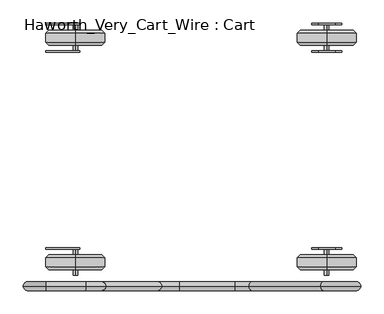
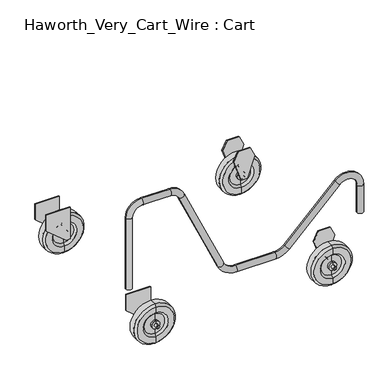
"""IFC4 building model written with IfcOpenShell, lengths in millimetres: furniture geometry, Haworth_Very_Cart_Wire : Cart."""

from ifc_helpers import new_model, si_unit, point, frame, origin, place, context, project, spatial, polyline, circle_curve, ellipse_curve, trimmed, outline, extrude, source, transform, mapped, element, save
from ifc_brep_helpers import plane_surface, cylinder_surface, revolved_surface, advanced_brep


def haworth_very_cart_wire_cart_294b5df9(model_context):
    return source(origin(), model_context, "Body", "SolidModel", [
        advanced_brep(
        [(-231.1399794, 231.3950147, 0.0), (-231.1399794, 231.3950147, 126.999997), (-231.1399794, 250.4450147, 126.999997), (-231.1399794, 250.4450147, 0.0), (-231.1399794, 256.7950087, 120.650003), (-231.1399794, 256.7950087, 6.3499939), (-231.1399794, 256.7950087, 101.5999939), (-231.1399794, 256.7950087, 25.400003), (-231.1399794, 250.4450147, 95.25), (-231.1399794, 250.4450147, 31.749997), (-231.1399794, 250.4450147, 75.7672593), (-231.1399794, 250.4450147, 51.2327376), (-231.1399794, 256.7950087, 75.7672593), (-231.1399794, 256.7950087, 51.2327376), (-231.1399794, 256.7950087, 68.3259984), (-231.1399794, 256.7950087, 58.6739985), (-231.1399794, 268.6949, 68.3259984), (-231.1399794, 268.6949, 58.6739985), (-231.1399794, 268.6949, 63.4999985), (-231.1399794, 213.1451294, 63.4999985), (-231.1399794, 213.1451294, 68.3259984), (-231.1399794, 213.1451294, 58.6739985), (-231.1399794, 225.0450208, 68.3259984), (-231.1399794, 225.0450208, 58.6739985), (-231.1399794, 225.0450208, 75.7672593), (-231.1399794, 225.0450208, 51.2327376), (-231.1399794, 231.3950147, 75.7672593), (-231.1399794, 231.3950147, 51.2327376), (-231.1399794, 231.3950147, 95.25), (-231.1399794, 231.3950147, 31.749997), (-231.1399794, 225.0450208, 101.5999939), (-231.1399794, 225.0450208, 25.400003), (-231.1399794, 225.0450208, 120.650003), (-231.1399794, 225.0450208, 6.3499939)],
        [
            (0, 1, circle_curve(frame((-231.1399794, 231.3950147, 63.4999985), z_axis=(0.0, 1.0, 0.0), x_axis=(0.0, 0.0, 1.0)), 63.4999985)),
            (1, 2),
            (2, 3, circle_curve(frame((-231.1399794, 250.4450147, 63.4999985), z_axis=(0.0, -1.0, 0.0), x_axis=(0.0, 0.0, 1.0)), 63.4999985)),
            (3, 0),
            (1, 0, circle_curve(frame((-231.1399794, 231.3950147, 63.4999985), z_axis=(0.0, 1.0, 0.0), x_axis=(0.0, 0.0, 1.0)), 63.4999985)),
            (3, 2, circle_curve(frame((-231.1399794, 250.4450147, 63.4999985), z_axis=(0.0, -1.0, 0.0), x_axis=(0.0, 0.0, 1.0)), 63.4999985)),
            (2, 4),
            (4, 5, circle_curve(frame((-231.1399794, 256.7950087, 63.4999985), z_axis=(0.0, -1.0, 0.0), x_axis=(0.0, 0.0, 1.0)), 57.1500045)),
            (5, 3),
            (5, 4, circle_curve(frame((-231.1399794, 256.7950087, 63.4999985), z_axis=(0.0, -1.0, 0.0), x_axis=(0.0, 0.0, 1.0)), 57.1500045)),
            (4, 6),
            (6, 7, circle_curve(frame((-231.1399794, 256.7950087, 63.4999985), z_axis=(0.0, -1.0, 0.0), x_axis=(0.0, 0.0, 1.0)), 38.0999955)),
            (7, 5),
            (7, 6, circle_curve(frame((-231.1399794, 256.7950087, 63.4999985), z_axis=(0.0, -1.0, 0.0), x_axis=(0.0, 0.0, 1.0)), 38.0999955)),
            (6, 8),
            (8, 9, circle_curve(frame((-231.1399794, 250.4450147, 63.4999985), z_axis=(0.0, -1.0, 0.0), x_axis=(0.0, 0.0, 1.0)), 31.7500015)),
            (9, 7),
            (9, 8, circle_curve(frame((-231.1399794, 250.4450147, 63.4999985), z_axis=(0.0, -1.0, 0.0), x_axis=(0.0, 0.0, 1.0)), 31.7500015)),
            (8, 10),
            (10, 11, circle_curve(frame((-231.1399794, 250.4450147, 63.4999985), z_axis=(0.0, -1.0, 0.0), x_axis=(0.0, 0.0, 1.0)), 12.2672608)),
            (11, 9),
            (11, 10, circle_curve(frame((-231.1399794, 250.4450147, 63.4999985), z_axis=(0.0, -1.0, 0.0), x_axis=(0.0, 0.0, 1.0)), 12.2672608)),
            (10, 12),
            (12, 13, circle_curve(frame((-231.1399794, 256.7950087, 63.4999985), z_axis=(0.0, -1.0, 0.0), x_axis=(0.0, 0.0, 1.0)), 12.2672608)),
            (13, 11),
            (13, 12, circle_curve(frame((-231.1399794, 256.7950087, 63.4999985), z_axis=(0.0, -1.0, 0.0), x_axis=(0.0, 0.0, 1.0)), 12.2672608)),
            (12, 14),
            (14, 15, circle_curve(frame((-231.1399794, 256.7950087, 63.4999985), z_axis=(0.0, -1.0, 0.0), x_axis=(0.0, 0.0, 1.0)), 4.8259999)),
            (15, 13),
            (15, 14, circle_curve(frame((-231.1399794, 256.7950087, 63.4999985), z_axis=(0.0, -1.0, 0.0), x_axis=(0.0, 0.0, 1.0)), 4.8259999)),
            (14, 16),
            (16, 17, circle_curve(frame((-231.1399794, 268.6949, 63.4999985), z_axis=(0.0, -1.0, 0.0), x_axis=(0.0, 0.0, 1.0)), 4.8259999)),
            (17, 15),
            (17, 16, circle_curve(frame((-231.1399794, 268.6949, 63.4999985), z_axis=(0.0, -1.0, 0.0), x_axis=(0.0, 0.0, 1.0)), 4.8259999)),
            (16, 18),
            (18, 17),
            (19, 20),
            (20, 21, circle_curve(frame((-231.1399794, 213.1451294, 63.4999985), z_axis=(0.0, -1.0, 0.0), x_axis=(0.0, 0.0, 1.0)), 4.8259999)),
            (21, 19),
            (21, 20, circle_curve(frame((-231.1399794, 213.1451294, 63.4999985), z_axis=(0.0, -1.0, 0.0), x_axis=(0.0, 0.0, 1.0)), 4.8259999)),
            (20, 22),
            (22, 23, circle_curve(frame((-231.1399794, 225.0450208, 63.4999985), z_axis=(0.0, -1.0, 0.0), x_axis=(0.0, 0.0, 1.0)), 4.8259999)),
            (23, 21),
            (23, 22, circle_curve(frame((-231.1399794, 225.0450208, 63.4999985), z_axis=(0.0, -1.0, 0.0), x_axis=(0.0, 0.0, 1.0)), 4.8259999)),
            (22, 24),
            (24, 25, circle_curve(frame((-231.1399794, 225.0450208, 63.4999985), z_axis=(0.0, -1.0, 0.0), x_axis=(0.0, 0.0, 1.0)), 12.2672608)),
            (25, 23),
            (25, 24, circle_curve(frame((-231.1399794, 225.0450208, 63.4999985), z_axis=(0.0, -1.0, 0.0), x_axis=(0.0, 0.0, 1.0)), 12.2672608)),
            (24, 26),
            (26, 27, circle_curve(frame((-231.1399794, 231.3950147, 63.4999985), z_axis=(0.0, -1.0, 0.0), x_axis=(0.0, 0.0, 1.0)), 12.2672608)),
            (27, 25),
            (27, 26, circle_curve(frame((-231.1399794, 231.3950147, 63.4999985), z_axis=(0.0, -1.0, 0.0), x_axis=(0.0, 0.0, 1.0)), 12.2672608)),
            (26, 28),
            (28, 29, circle_curve(frame((-231.1399794, 231.3950147, 63.4999985), z_axis=(0.0, -1.0, 0.0), x_axis=(0.0, 0.0, 1.0)), 31.7500015)),
            (29, 27),
            (29, 28, circle_curve(frame((-231.1399794, 231.3950147, 63.4999985), z_axis=(0.0, -1.0, 0.0), x_axis=(0.0, 0.0, 1.0)), 31.7500015)),
            (28, 30),
            (30, 31, circle_curve(frame((-231.1399794, 225.0450208, 63.4999985), z_axis=(0.0, -1.0, 0.0), x_axis=(0.0, 0.0, 1.0)), 38.0999955)),
            (31, 29),
            (31, 30, circle_curve(frame((-231.1399794, 225.0450208, 63.4999985), z_axis=(0.0, -1.0, 0.0), x_axis=(0.0, 0.0, 1.0)), 38.0999955)),
            (30, 32),
            (32, 33, circle_curve(frame((-231.1399794, 225.0450208, 63.4999985), z_axis=(0.0, -1.0, 0.0), x_axis=(0.0, 0.0, 1.0)), 57.1500045)),
            (33, 31),
            (33, 32, circle_curve(frame((-231.1399794, 225.0450208, 63.4999985), z_axis=(0.0, -1.0, 0.0), x_axis=(0.0, 0.0, 1.0)), 57.1500045)),
            (32, 1),
            (0, 33),
        ],
        [
            cylinder_surface(frame((-231.1399794, 231.3950147, 63.4999985), z_axis=(0.0, -1.0, 0.0), x_axis=(0.0, 0.0, 1.0)), 63.4999985),
            revolved_surface(polyline([(-231.1399794, 256.7950087, 120.650003), (-231.1399794, 250.4450147, 126.999997)]), (-231.1399794, 231.3950147, 63.4999985), (0.0, -1.0, 0.0)),
            plane_surface(frame((-231.1399794, 256.7950087, 63.4999985), z_axis=(0.0, 1.0, 0.0), x_axis=(0.0, 0.0, 1.0))),
            revolved_surface(polyline([(-231.1399794, 250.4450147, 95.25), (-231.1399794, 256.7950087, 101.5999939)]), (-231.1399794, 231.3950147, 63.4999985), (0.0, -1.0, 0.0)),
            plane_surface(frame((-231.1399794, 250.4450147, 63.4999985), z_axis=(0.0, 1.0, 0.0), x_axis=(0.0, 0.0, 1.0))),
            cylinder_surface(frame((-231.1399794, 231.3950147, 63.4999985), z_axis=(0.0, -1.0, 0.0), x_axis=(0.0, 0.0, 1.0)), 12.2672608),
            cylinder_surface(frame((-231.1399794, 231.3950147, 63.4999985), z_axis=(0.0, -1.0, 0.0), x_axis=(0.0, 0.0, 1.0)), 4.8259999),
            plane_surface(frame((-231.1399794, 268.6949, 63.4999985), z_axis=(0.0, 1.0, 0.0), x_axis=(0.0, 0.0, 1.0))),
            plane_surface(frame((-231.1399794, 213.1451294, 63.4999985), z_axis=(0.0, -1.0, 0.0), x_axis=(0.0, 0.0, 1.0))),
            plane_surface(frame((-231.1399794, 225.0450208, 63.4999985), z_axis=(0.0, -1.0, 0.0), x_axis=(0.0, 0.0, 1.0))),
            plane_surface(frame((-231.1399794, 231.3950147, 63.4999985), z_axis=(0.0, -1.0, 0.0), x_axis=(0.0, 0.0, 1.0))),
            revolved_surface(polyline([(-231.1399794, 225.0450208, 101.5999939), (-231.1399794, 231.3950147, 95.25)]), (-231.1399794, 231.3950147, 63.4999985), (0.0, -1.0, 0.0)),
            revolved_surface(polyline([(-231.1399794, 231.3950147, 126.999997), (-231.1399794, 225.0450208, 120.650003)]), (-231.1399794, 231.3950147, 63.4999985), (0.0, -1.0, 0.0)),
        ],
        [
            (0, [[1, 2, 3, 4]]),
            (0, [[5, -4, 6, -2]]),
            (1, [[-3, 7, 8, 9]]),
            (1, [[-6, -9, 10, -7]]),
            (2, [[-8, 11, 12, 13]]),
            (2, [[-10, -13, 14, -11]]),
            (3, [[-12, 15, 16, 17]]),
            (3, [[-14, -17, 18, -15]]),
            (4, [[-16, 19, 20, 21]]),
            (4, [[-18, -21, 22, -19]]),
            (5, [[-20, 23, 24, 25]]),
            (5, [[-22, -25, 26, -23]]),
            (2, [[-24, 27, 28, 29]]),
            (2, [[-26, -29, 30, -27]]),
            (6, [[-28, 31, 32, 33]]),
            (6, [[-30, -33, 34, -31]]),
            (7, [[-32, 35, 36]]),
            (7, [[-34, -36, -35]]),
            (8, [[37, 38, 39]]),
            (8, [[-39, 40, -37]]),
            (6, [[-38, 41, 42, 43]]),
            (6, [[-40, -43, 44, -41]]),
            (9, [[-42, 45, 46, 47]]),
            (9, [[-44, -47, 48, -45]]),
            (5, [[-46, 49, 50, 51]]),
            (5, [[-48, -51, 52, -49]]),
            (10, [[-50, 53, 54, 55]]),
            (10, [[-52, -55, 56, -53]]),
            (11, [[-54, 57, 58, 59]]),
            (11, [[-56, -59, 60, -57]]),
            (9, [[-58, 61, 62, 63]]),
            (9, [[-60, -63, 64, -61]]),
            (12, [[-62, 65, -1, 66]]),
            (12, [[-64, -66, -5, -65]]),
        ],
    ),
        advanced_brep(
        [(-231.1399794, -250.4450147, 0.0), (-231.1399794, -250.4450147, 126.999997), (-231.1399794, -231.3950147, 126.999997), (-231.1399794, -231.3950147, 0.0), (-231.1399794, -256.7950087, 6.3499939), (-231.1399794, -256.7950087, 120.650003), (-231.1399794, -256.7950087, 25.400003), (-231.1399794, -256.7950087, 101.5999939), (-231.1399794, -250.4450147, 31.749997), (-231.1399794, -250.4450147, 95.25), (-231.1399794, -250.4450147, 51.2327376), (-231.1399794, -250.4450147, 75.7672593), (-231.1399794, -256.7950087, 51.2327376), (-231.1399794, -256.7950087, 75.7672593), (-231.1399794, -256.7950087, 58.6739985), (-231.1399794, -256.7950087, 68.3259984), (-231.1399794, -268.6949, 58.6739985), (-231.1399794, -268.6949, 68.3259984), (-231.1399794, -268.6949, 63.4999985), (-231.1399794, -213.1451294, 58.6739985), (-231.1399794, -213.1451294, 68.3259984), (-231.1399794, -213.1451294, 63.4999985), (-231.1399794, -225.0450208, 58.6739985), (-231.1399794, -225.0450208, 68.3259984), (-231.1399794, -225.0450208, 51.2327376), (-231.1399794, -225.0450208, 75.7672593), (-231.1399794, -231.3950147, 51.2327376), (-231.1399794, -231.3950147, 75.7672593), (-231.1399794, -231.3950147, 31.749997), (-231.1399794, -231.3950147, 95.25), (-231.1399794, -225.0450208, 25.400003), (-231.1399794, -225.0450208, 101.5999939), (-231.1399794, -225.0450208, 6.3499939), (-231.1399794, -225.0450208, 120.650003)],
        [
            (0, 1, circle_curve(frame((-231.1399794, -250.4450147, 63.4999985), z_axis=(0.0, 1.0, 0.0), x_axis=(0.0, 0.0, 1.0)), 63.4999985)),
            (1, 2),
            (2, 3, circle_curve(frame((-231.1399794, -231.3950147, 63.4999985), z_axis=(0.0, -1.0, 0.0), x_axis=(0.0, 0.0, 1.0)), 63.4999985)),
            (3, 0),
            (1, 0, circle_curve(frame((-231.1399794, -250.4450147, 63.4999985), z_axis=(0.0, 1.0, 0.0), x_axis=(0.0, 0.0, 1.0)), 63.4999985)),
            (3, 2, circle_curve(frame((-231.1399794, -231.3950147, 63.4999985), z_axis=(0.0, -1.0, 0.0), x_axis=(0.0, 0.0, 1.0)), 63.4999985)),
            (4, 5, circle_curve(frame((-231.1399794, -256.7950087, 63.4999985), z_axis=(0.0, 1.0, 0.0), x_axis=(0.0, 0.0, 1.0)), 57.1500045)),
            (5, 1),
            (0, 4),
            (5, 4, circle_curve(frame((-231.1399794, -256.7950087, 63.4999985), z_axis=(0.0, 1.0, 0.0), x_axis=(0.0, 0.0, 1.0)), 57.1500045)),
            (6, 7, circle_curve(frame((-231.1399794, -256.7950087, 63.4999985), z_axis=(0.0, 1.0, 0.0), x_axis=(0.0, 0.0, 1.0)), 38.0999955)),
            (7, 5),
            (4, 6),
            (7, 6, circle_curve(frame((-231.1399794, -256.7950087, 63.4999985), z_axis=(0.0, 1.0, 0.0), x_axis=(0.0, 0.0, 1.0)), 38.0999955)),
            (8, 9, circle_curve(frame((-231.1399794, -250.4450147, 63.4999985), z_axis=(0.0, 1.0, 0.0), x_axis=(0.0, 0.0, 1.0)), 31.7500015)),
            (9, 7),
            (6, 8),
            (9, 8, circle_curve(frame((-231.1399794, -250.4450147, 63.4999985), z_axis=(0.0, 1.0, 0.0), x_axis=(0.0, 0.0, 1.0)), 31.7500015)),
            (10, 11, circle_curve(frame((-231.1399794, -250.4450147, 63.4999985), z_axis=(0.0, 1.0, 0.0), x_axis=(0.0, 0.0, 1.0)), 12.2672608)),
            (11, 9),
            (8, 10),
            (11, 10, circle_curve(frame((-231.1399794, -250.4450147, 63.4999985), z_axis=(0.0, 1.0, 0.0), x_axis=(0.0, 0.0, 1.0)), 12.2672608)),
            (12, 13, circle_curve(frame((-231.1399794, -256.7950087, 63.4999985), z_axis=(0.0, 1.0, 0.0), x_axis=(0.0, 0.0, 1.0)), 12.2672608)),
            (13, 11),
            (10, 12),
            (13, 12, circle_curve(frame((-231.1399794, -256.7950087, 63.4999985), z_axis=(0.0, 1.0, 0.0), x_axis=(0.0, 0.0, 1.0)), 12.2672608)),
            (14, 15, circle_curve(frame((-231.1399794, -256.7950087, 63.4999985), z_axis=(0.0, 1.0, 0.0), x_axis=(0.0, 0.0, 1.0)), 4.8259999)),
            (15, 13),
            (12, 14),
            (15, 14, circle_curve(frame((-231.1399794, -256.7950087, 63.4999985), z_axis=(0.0, 1.0, 0.0), x_axis=(0.0, 0.0, 1.0)), 4.8259999)),
            (16, 17, circle_curve(frame((-231.1399794, -268.6949, 63.4999985), z_axis=(0.0, 1.0, 0.0), x_axis=(0.0, 0.0, 1.0)), 4.8259999)),
            (17, 15),
            (14, 16),
            (17, 16, circle_curve(frame((-231.1399794, -268.6949, 63.4999985), z_axis=(0.0, 1.0, 0.0), x_axis=(0.0, 0.0, 1.0)), 4.8259999)),
            (18, 17),
            (16, 18),
            (19, 20, circle_curve(frame((-231.1399794, -213.1451294, 63.4999985), z_axis=(0.0, 1.0, 0.0), x_axis=(0.0, 0.0, 1.0)), 4.8259999)),
            (20, 21),
            (21, 19),
            (20, 19, circle_curve(frame((-231.1399794, -213.1451294, 63.4999985), z_axis=(0.0, 1.0, 0.0), x_axis=(0.0, 0.0, 1.0)), 4.8259999)),
            (22, 23, circle_curve(frame((-231.1399794, -225.0450208, 63.4999985), z_axis=(0.0, 1.0, 0.0), x_axis=(0.0, 0.0, 1.0)), 4.8259999)),
            (23, 20),
            (19, 22),
            (23, 22, circle_curve(frame((-231.1399794, -225.0450208, 63.4999985), z_axis=(0.0, 1.0, 0.0), x_axis=(0.0, 0.0, 1.0)), 4.8259999)),
            (24, 25, circle_curve(frame((-231.1399794, -225.0450208, 63.4999985), z_axis=(0.0, 1.0, 0.0), x_axis=(0.0, 0.0, 1.0)), 12.2672608)),
            (25, 23),
            (22, 24),
            (25, 24, circle_curve(frame((-231.1399794, -225.0450208, 63.4999985), z_axis=(0.0, 1.0, 0.0), x_axis=(0.0, 0.0, 1.0)), 12.2672608)),
            (26, 27, circle_curve(frame((-231.1399794, -231.3950147, 63.4999985), z_axis=(0.0, 1.0, 0.0), x_axis=(0.0, 0.0, 1.0)), 12.2672608)),
            (27, 25),
            (24, 26),
            (27, 26, circle_curve(frame((-231.1399794, -231.3950147, 63.4999985), z_axis=(0.0, 1.0, 0.0), x_axis=(0.0, 0.0, 1.0)), 12.2672608)),
            (28, 29, circle_curve(frame((-231.1399794, -231.3950147, 63.4999985), z_axis=(0.0, 1.0, 0.0), x_axis=(0.0, 0.0, 1.0)), 31.7500015)),
            (29, 27),
            (26, 28),
            (29, 28, circle_curve(frame((-231.1399794, -231.3950147, 63.4999985), z_axis=(0.0, 1.0, 0.0), x_axis=(0.0, 0.0, 1.0)), 31.7500015)),
            (30, 31, circle_curve(frame((-231.1399794, -225.0450208, 63.4999985), z_axis=(0.0, 1.0, 0.0), x_axis=(0.0, 0.0, 1.0)), 38.0999955)),
            (31, 29),
            (28, 30),
            (31, 30, circle_curve(frame((-231.1399794, -225.0450208, 63.4999985), z_axis=(0.0, 1.0, 0.0), x_axis=(0.0, 0.0, 1.0)), 38.0999955)),
            (32, 33, circle_curve(frame((-231.1399794, -225.0450208, 63.4999985), z_axis=(0.0, 1.0, 0.0), x_axis=(0.0, 0.0, 1.0)), 57.1500045)),
            (33, 31),
            (30, 32),
            (33, 32, circle_curve(frame((-231.1399794, -225.0450208, 63.4999985), z_axis=(0.0, 1.0, 0.0), x_axis=(0.0, 0.0, 1.0)), 57.1500045)),
            (2, 33),
            (32, 3),
        ],
        [
            cylinder_surface(frame((-231.1399794, -231.3950147, 63.4999985), z_axis=(0.0, -1.0, 0.0), x_axis=(0.0, 0.0, 1.0)), 63.4999985),
            revolved_surface(polyline([(-231.1399794, -250.4450147, 126.999997), (-231.1399794, -256.7950087, 120.650003)]), (-231.1399794, -231.3950147, 63.4999985), (0.0, -1.0, 0.0)),
            plane_surface(frame((-231.1399794, -256.7950087, 63.4999985), z_axis=(0.0, -1.0, 0.0), x_axis=(0.0, 0.0, 1.0))),
            revolved_surface(polyline([(-231.1399794, -256.7950087, 101.5999939), (-231.1399794, -250.4450147, 95.25)]), (-231.1399794, -231.3950147, 63.4999985), (0.0, -1.0, 0.0)),
            plane_surface(frame((-231.1399794, -250.4450147, 63.4999985), z_axis=(0.0, -1.0, 0.0), x_axis=(0.0, 0.0, 1.0))),
            cylinder_surface(frame((-231.1399794, -231.3950147, 63.4999985), z_axis=(0.0, -1.0, 0.0), x_axis=(0.0, 0.0, 1.0)), 12.2672608),
            cylinder_surface(frame((-231.1399794, -231.3950147, 63.4999985), z_axis=(0.0, -1.0, 0.0), x_axis=(0.0, 0.0, 1.0)), 4.8259999),
            plane_surface(frame((-231.1399794, -268.6949, 63.4999985), z_axis=(0.0, -1.0, 0.0), x_axis=(0.0, 0.0, 1.0))),
            plane_surface(frame((-231.1399794, -213.1451294, 63.4999985), z_axis=(0.0, 1.0, 0.0), x_axis=(0.0, 0.0, 1.0))),
            plane_surface(frame((-231.1399794, -225.0450208, 63.4999985), z_axis=(0.0, 1.0, 0.0), x_axis=(0.0, 0.0, 1.0))),
            plane_surface(frame((-231.1399794, -231.3950147, 63.4999985), z_axis=(0.0, 1.0, 0.0), x_axis=(0.0, 0.0, 1.0))),
            revolved_surface(polyline([(-231.1399794, -231.3950147, 95.25), (-231.1399794, -225.0450208, 101.5999939)]), (-231.1399794, -231.3950147, 63.4999985), (0.0, -1.0, 0.0)),
            revolved_surface(polyline([(-231.1399794, -225.0450208, 120.650003), (-231.1399794, -231.3950147, 126.999997)]), (-231.1399794, -231.3950147, 63.4999985), (0.0, -1.0, 0.0)),
        ],
        [
            (0, [[1, 2, 3, 4]]),
            (0, [[5, -4, 6, -2]]),
            (1, [[7, 8, -1, 9]]),
            (1, [[10, -9, -5, -8]]),
            (2, [[11, 12, -7, 13]]),
            (2, [[14, -13, -10, -12]]),
            (3, [[15, 16, -11, 17]]),
            (3, [[18, -17, -14, -16]]),
            (4, [[19, 20, -15, 21]]),
            (4, [[22, -21, -18, -20]]),
            (5, [[23, 24, -19, 25]]),
            (5, [[26, -25, -22, -24]]),
            (2, [[27, 28, -23, 29]]),
            (2, [[30, -29, -26, -28]]),
            (6, [[31, 32, -27, 33]]),
            (6, [[34, -33, -30, -32]]),
            (7, [[35, -31, 36]]),
            (7, [[-36, -34, -35]]),
            (8, [[37, 38, 39]]),
            (8, [[40, -39, -38]]),
            (6, [[41, 42, -37, 43]]),
            (6, [[44, -43, -40, -42]]),
            (9, [[45, 46, -41, 47]]),
            (9, [[48, -47, -44, -46]]),
            (5, [[49, 50, -45, 51]]),
            (5, [[52, -51, -48, -50]]),
            (10, [[53, 54, -49, 55]]),
            (10, [[56, -55, -52, -54]]),
            (11, [[57, 58, -53, 59]]),
            (11, [[60, -59, -56, -58]]),
            (9, [[61, 62, -57, 63]]),
            (9, [[64, -63, -60, -62]]),
            (12, [[-3, 65, -61, 66]]),
            (12, [[-6, -66, -64, -65]]),
        ],
    ),
        advanced_brep(
        [(308.1050127, 231.3950147, 0.0), (308.1050127, 231.3950147, 126.999997), (308.1050127, 250.4450147, 126.999997), (308.1050127, 250.4450147, 0.0), (308.1050127, 256.7950087, 120.650003), (308.1050127, 256.7950087, 6.3499939), (308.1050127, 256.7950087, 101.5999939), (308.1050127, 256.7950087, 25.400003), (308.1050127, 250.4450147, 95.25), (308.1050127, 250.4450147, 31.749997), (308.1050127, 250.4450147, 75.7672593), (308.1050127, 250.4450147, 51.2327376), (308.1050127, 256.7950087, 75.7672593), (308.1050127, 256.7950087, 51.2327376), (308.1050127, 256.7950087, 68.3259984), (308.1050127, 256.7950087, 58.6739985), (308.1050127, 268.6949, 68.3259984), (308.1050127, 268.6949, 58.6739985), (308.1050127, 268.6949, 63.4999985), (308.1050127, 213.1451294, 63.4999985), (308.1050127, 213.1451294, 68.3259984), (308.1050127, 213.1451294, 58.6739985), (308.1050127, 225.0450208, 68.3259984), (308.1050127, 225.0450208, 58.6739985), (308.1050127, 225.0450208, 75.7672593), (308.1050127, 225.0450208, 51.2327376), (308.1050127, 231.3950147, 75.7672593), (308.1050127, 231.3950147, 51.2327376), (308.1050127, 231.3950147, 95.25), (308.1050127, 231.3950147, 31.749997), (308.1050127, 225.0450208, 101.5999939), (308.1050127, 225.0450208, 25.400003), (308.1050127, 225.0450208, 120.650003), (308.1050127, 225.0450208, 6.3499939)],
        [
            (0, 1, circle_curve(frame((308.1050127, 231.3950147, 63.4999985), z_axis=(0.0, 1.0, 0.0), x_axis=(0.0, 0.0, 1.0)), 63.4999985)),
            (1, 2),
            (2, 3, circle_curve(frame((308.1050127, 250.4450147, 63.4999985), z_axis=(0.0, -1.0, 0.0), x_axis=(0.0, 0.0, 1.0)), 63.4999985)),
            (3, 0),
            (1, 0, circle_curve(frame((308.1050127, 231.3950147, 63.4999985), z_axis=(0.0, 1.0, 0.0), x_axis=(0.0, 0.0, 1.0)), 63.4999985)),
            (3, 2, circle_curve(frame((308.1050127, 250.4450147, 63.4999985), z_axis=(0.0, -1.0, 0.0), x_axis=(0.0, 0.0, 1.0)), 63.4999985)),
            (2, 4),
            (4, 5, circle_curve(frame((308.1050127, 256.7950087, 63.4999985), z_axis=(0.0, -1.0, 0.0), x_axis=(0.0, 0.0, 1.0)), 57.1500045)),
            (5, 3),
            (5, 4, circle_curve(frame((308.1050127, 256.7950087, 63.4999985), z_axis=(0.0, -1.0, 0.0), x_axis=(0.0, 0.0, 1.0)), 57.1500045)),
            (4, 6),
            (6, 7, circle_curve(frame((308.1050127, 256.7950087, 63.4999985), z_axis=(0.0, -1.0, 0.0), x_axis=(0.0, 0.0, 1.0)), 38.0999955)),
            (7, 5),
            (7, 6, circle_curve(frame((308.1050127, 256.7950087, 63.4999985), z_axis=(0.0, -1.0, 0.0), x_axis=(0.0, 0.0, 1.0)), 38.0999955)),
            (6, 8),
            (8, 9, circle_curve(frame((308.1050127, 250.4450147, 63.4999985), z_axis=(0.0, -1.0, 0.0), x_axis=(0.0, 0.0, 1.0)), 31.7500015)),
            (9, 7),
            (9, 8, circle_curve(frame((308.1050127, 250.4450147, 63.4999985), z_axis=(0.0, -1.0, 0.0), x_axis=(0.0, 0.0, 1.0)), 31.7500015)),
            (8, 10),
            (10, 11, circle_curve(frame((308.1050127, 250.4450147, 63.4999985), z_axis=(0.0, -1.0, 0.0), x_axis=(0.0, 0.0, 1.0)), 12.2672608)),
            (11, 9),
            (11, 10, circle_curve(frame((308.1050127, 250.4450147, 63.4999985), z_axis=(0.0, -1.0, 0.0), x_axis=(0.0, 0.0, 1.0)), 12.2672608)),
            (10, 12),
            (12, 13, circle_curve(frame((308.1050127, 256.7950087, 63.4999985), z_axis=(0.0, -1.0, 0.0), x_axis=(0.0, 0.0, 1.0)), 12.2672608)),
            (13, 11),
            (13, 12, circle_curve(frame((308.1050127, 256.7950087, 63.4999985), z_axis=(0.0, -1.0, 0.0), x_axis=(0.0, 0.0, 1.0)), 12.2672608)),
            (12, 14),
            (14, 15, circle_curve(frame((308.1050127, 256.7950087, 63.4999985), z_axis=(0.0, -1.0, 0.0), x_axis=(0.0, 0.0, 1.0)), 4.8259999)),
            (15, 13),
            (15, 14, circle_curve(frame((308.1050127, 256.7950087, 63.4999985), z_axis=(0.0, -1.0, 0.0), x_axis=(0.0, 0.0, 1.0)), 4.8259999)),
            (14, 16),
            (16, 17, circle_curve(frame((308.1050127, 268.6949, 63.4999985), z_axis=(0.0, -1.0, 0.0), x_axis=(0.0, 0.0, 1.0)), 4.8259999)),
            (17, 15),
            (17, 16, circle_curve(frame((308.1050127, 268.6949, 63.4999985), z_axis=(0.0, -1.0, 0.0), x_axis=(0.0, 0.0, 1.0)), 4.8259999)),
            (16, 18),
            (18, 17),
            (19, 20),
            (20, 21, circle_curve(frame((308.1050127, 213.1451294, 63.4999985), z_axis=(0.0, -1.0, 0.0), x_axis=(0.0, 0.0, 1.0)), 4.8259999)),
            (21, 19),
            (21, 20, circle_curve(frame((308.1050127, 213.1451294, 63.4999985), z_axis=(0.0, -1.0, 0.0), x_axis=(0.0, 0.0, 1.0)), 4.8259999)),
            (20, 22),
            (22, 23, circle_curve(frame((308.1050127, 225.0450208, 63.4999985), z_axis=(0.0, -1.0, 0.0), x_axis=(0.0, 0.0, 1.0)), 4.8259999)),
            (23, 21),
            (23, 22, circle_curve(frame((308.1050127, 225.0450208, 63.4999985), z_axis=(0.0, -1.0, 0.0), x_axis=(0.0, 0.0, 1.0)), 4.8259999)),
            (22, 24),
            (24, 25, circle_curve(frame((308.1050127, 225.0450208, 63.4999985), z_axis=(0.0, -1.0, 0.0), x_axis=(0.0, 0.0, 1.0)), 12.2672608)),
            (25, 23),
            (25, 24, circle_curve(frame((308.1050127, 225.0450208, 63.4999985), z_axis=(0.0, -1.0, 0.0), x_axis=(0.0, 0.0, 1.0)), 12.2672608)),
            (24, 26),
            (26, 27, circle_curve(frame((308.1050127, 231.3950147, 63.4999985), z_axis=(0.0, -1.0, 0.0), x_axis=(0.0, 0.0, 1.0)), 12.2672608)),
            (27, 25),
            (27, 26, circle_curve(frame((308.1050127, 231.3950147, 63.4999985), z_axis=(0.0, -1.0, 0.0), x_axis=(0.0, 0.0, 1.0)), 12.2672608)),
            (26, 28),
            (28, 29, circle_curve(frame((308.1050127, 231.3950147, 63.4999985), z_axis=(0.0, -1.0, 0.0), x_axis=(0.0, 0.0, 1.0)), 31.7500015)),
            (29, 27),
            (29, 28, circle_curve(frame((308.1050127, 231.3950147, 63.4999985), z_axis=(0.0, -1.0, 0.0), x_axis=(0.0, 0.0, 1.0)), 31.7500015)),
            (28, 30),
            (30, 31, circle_curve(frame((308.1050127, 225.0450208, 63.4999985), z_axis=(0.0, -1.0, 0.0), x_axis=(0.0, 0.0, 1.0)), 38.0999955)),
            (31, 29),
            (31, 30, circle_curve(frame((308.1050127, 225.0450208, 63.4999985), z_axis=(0.0, -1.0, 0.0), x_axis=(0.0, 0.0, 1.0)), 38.0999955)),
            (30, 32),
            (32, 33, circle_curve(frame((308.1050127, 225.0450208, 63.4999985), z_axis=(0.0, -1.0, 0.0), x_axis=(0.0, 0.0, 1.0)), 57.1500045)),
            (33, 31),
            (33, 32, circle_curve(frame((308.1050127, 225.0450208, 63.4999985), z_axis=(0.0, -1.0, 0.0), x_axis=(0.0, 0.0, 1.0)), 57.1500045)),
            (32, 1),
            (0, 33),
        ],
        [
            cylinder_surface(frame((308.1050127, 231.3950147, 63.4999985), z_axis=(0.0, -1.0, 0.0), x_axis=(0.0, 0.0, 1.0)), 63.4999985),
            revolved_surface(polyline([(308.1050127, 256.7950087, 120.650003), (308.1050127, 250.4450147, 126.999997)]), (308.1050127, 231.3950147, 63.4999985), (0.0, -1.0, 0.0)),
            plane_surface(frame((308.1050127, 256.7950087, 63.4999985), z_axis=(0.0, 1.0, 0.0), x_axis=(0.0, 0.0, 1.0))),
            revolved_surface(polyline([(308.1050127, 250.4450147, 95.25), (308.1050127, 256.7950087, 101.5999939)]), (308.1050127, 231.3950147, 63.4999985), (0.0, -1.0, 0.0)),
            plane_surface(frame((308.1050127, 250.4450147, 63.4999985), z_axis=(0.0, 1.0, 0.0), x_axis=(0.0, 0.0, 1.0))),
            cylinder_surface(frame((308.1050127, 231.3950147, 63.4999985), z_axis=(0.0, -1.0, 0.0), x_axis=(0.0, 0.0, 1.0)), 12.2672608),
            cylinder_surface(frame((308.1050127, 231.3950147, 63.4999985), z_axis=(0.0, -1.0, 0.0), x_axis=(0.0, 0.0, 1.0)), 4.8259999),
            plane_surface(frame((308.1050127, 268.6949, 63.4999985), z_axis=(0.0, 1.0, 0.0), x_axis=(0.0, 0.0, 1.0))),
            plane_surface(frame((308.1050127, 213.1451294, 63.4999985), z_axis=(0.0, -1.0, 0.0), x_axis=(0.0, 0.0, 1.0))),
            plane_surface(frame((308.1050127, 225.0450208, 63.4999985), z_axis=(0.0, -1.0, 0.0), x_axis=(0.0, 0.0, 1.0))),
            plane_surface(frame((308.1050127, 231.3950147, 63.4999985), z_axis=(0.0, -1.0, 0.0), x_axis=(0.0, 0.0, 1.0))),
            revolved_surface(polyline([(308.1050127, 225.0450208, 101.5999939), (308.1050127, 231.3950147, 95.25)]), (308.1050127, 231.3950147, 63.4999985), (0.0, -1.0, 0.0)),
            revolved_surface(polyline([(308.1050127, 231.3950147, 126.999997), (308.1050127, 225.0450208, 120.650003)]), (308.1050127, 231.3950147, 63.4999985), (0.0, -1.0, 0.0)),
        ],
        [
            (0, [[1, 2, 3, 4]]),
            (0, [[5, -4, 6, -2]]),
            (1, [[-3, 7, 8, 9]]),
            (1, [[-6, -9, 10, -7]]),
            (2, [[-8, 11, 12, 13]]),
            (2, [[-10, -13, 14, -11]]),
            (3, [[-12, 15, 16, 17]]),
            (3, [[-14, -17, 18, -15]]),
            (4, [[-16, 19, 20, 21]]),
            (4, [[-18, -21, 22, -19]]),
            (5, [[-20, 23, 24, 25]]),
            (5, [[-22, -25, 26, -23]]),
            (2, [[-24, 27, 28, 29]]),
            (2, [[-26, -29, 30, -27]]),
            (6, [[-28, 31, 32, 33]]),
            (6, [[-30, -33, 34, -31]]),
            (7, [[-32, 35, 36]]),
            (7, [[-34, -36, -35]]),
            (8, [[37, 38, 39]]),
            (8, [[-39, 40, -37]]),
            (6, [[-38, 41, 42, 43]]),
            (6, [[-40, -43, 44, -41]]),
            (9, [[-42, 45, 46, 47]]),
            (9, [[-44, -47, 48, -45]]),
            (5, [[-46, 49, 50, 51]]),
            (5, [[-48, -51, 52, -49]]),
            (10, [[-50, 53, 54, 55]]),
            (10, [[-52, -55, 56, -53]]),
            (11, [[-54, 57, 58, 59]]),
            (11, [[-56, -59, 60, -57]]),
            (9, [[-58, 61, 62, 63]]),
            (9, [[-60, -63, 64, -61]]),
            (12, [[-62, 65, -1, 66]]),
            (12, [[-64, -66, -5, -65]]),
        ],
    ),
        advanced_brep(
        [(308.1050127, -250.4450147, 0.0), (308.1050127, -250.4450147, 126.999997), (308.1050127, -231.3950147, 126.999997), (308.1050127, -231.3950147, 0.0), (308.1050127, -256.7950087, 6.3499939), (308.1050127, -256.7950087, 120.650003), (308.1050127, -256.7950087, 25.400003), (308.1050127, -256.7950087, 101.5999939), (308.1050127, -250.4450147, 31.749997), (308.1050127, -250.4450147, 95.25), (308.1050127, -250.4450147, 51.2327376), (308.1050127, -250.4450147, 75.7672593), (308.1050127, -256.7950087, 51.2327376), (308.1050127, -256.7950087, 75.7672593), (308.1050127, -256.7950087, 58.6739985), (308.1050127, -256.7950087, 68.3259984), (308.1050127, -268.6949, 58.6739985), (308.1050127, -268.6949, 68.3259984), (308.1050127, -268.6949, 63.4999985), (308.1050127, -213.1451294, 58.6739985), (308.1050127, -213.1451294, 68.3259984), (308.1050127, -213.1451294, 63.4999985), (308.1050127, -225.0450208, 58.6739985), (308.1050127, -225.0450208, 68.3259984), (308.1050127, -225.0450208, 51.2327376), (308.1050127, -225.0450208, 75.7672593), (308.1050127, -231.3950147, 51.2327376), (308.1050127, -231.3950147, 75.7672593), (308.1050127, -231.3950147, 31.749997), (308.1050127, -231.3950147, 95.25), (308.1050127, -225.0450208, 25.400003), (308.1050127, -225.0450208, 101.5999939), (308.1050127, -225.0450208, 6.3499939), (308.1050127, -225.0450208, 120.650003)],
        [
            (0, 1, circle_curve(frame((308.1050127, -250.4450147, 63.4999985), z_axis=(0.0, 1.0, 0.0), x_axis=(0.0, 0.0, 1.0)), 63.4999985)),
            (1, 2),
            (2, 3, circle_curve(frame((308.1050127, -231.3950147, 63.4999985), z_axis=(0.0, -1.0, 0.0), x_axis=(0.0, 0.0, 1.0)), 63.4999985)),
            (3, 0),
            (1, 0, circle_curve(frame((308.1050127, -250.4450147, 63.4999985), z_axis=(0.0, 1.0, 0.0), x_axis=(0.0, 0.0, 1.0)), 63.4999985)),
            (3, 2, circle_curve(frame((308.1050127, -231.3950147, 63.4999985), z_axis=(0.0, -1.0, 0.0), x_axis=(0.0, 0.0, 1.0)), 63.4999985)),
            (4, 5, circle_curve(frame((308.1050127, -256.7950087, 63.4999985), z_axis=(0.0, 1.0, 0.0), x_axis=(0.0, 0.0, 1.0)), 57.1500045)),
            (5, 1),
            (0, 4),
            (5, 4, circle_curve(frame((308.1050127, -256.7950087, 63.4999985), z_axis=(0.0, 1.0, 0.0), x_axis=(0.0, 0.0, 1.0)), 57.1500045)),
            (6, 7, circle_curve(frame((308.1050127, -256.7950087, 63.4999985), z_axis=(0.0, 1.0, 0.0), x_axis=(0.0, 0.0, 1.0)), 38.0999955)),
            (7, 5),
            (4, 6),
            (7, 6, circle_curve(frame((308.1050127, -256.7950087, 63.4999985), z_axis=(0.0, 1.0, 0.0), x_axis=(0.0, 0.0, 1.0)), 38.0999955)),
            (8, 9, circle_curve(frame((308.1050127, -250.4450147, 63.4999985), z_axis=(0.0, 1.0, 0.0), x_axis=(0.0, 0.0, 1.0)), 31.7500015)),
            (9, 7),
            (6, 8),
            (9, 8, circle_curve(frame((308.1050127, -250.4450147, 63.4999985), z_axis=(0.0, 1.0, 0.0), x_axis=(0.0, 0.0, 1.0)), 31.7500015)),
            (10, 11, circle_curve(frame((308.1050127, -250.4450147, 63.4999985), z_axis=(0.0, 1.0, 0.0), x_axis=(0.0, 0.0, 1.0)), 12.2672608)),
            (11, 9),
            (8, 10),
            (11, 10, circle_curve(frame((308.1050127, -250.4450147, 63.4999985), z_axis=(0.0, 1.0, 0.0), x_axis=(0.0, 0.0, 1.0)), 12.2672608)),
            (12, 13, circle_curve(frame((308.1050127, -256.7950087, 63.4999985), z_axis=(0.0, 1.0, 0.0), x_axis=(0.0, 0.0, 1.0)), 12.2672608)),
            (13, 11),
            (10, 12),
            (13, 12, circle_curve(frame((308.1050127, -256.7950087, 63.4999985), z_axis=(0.0, 1.0, 0.0), x_axis=(0.0, 0.0, 1.0)), 12.2672608)),
            (14, 15, circle_curve(frame((308.1050127, -256.7950087, 63.4999985), z_axis=(0.0, 1.0, 0.0), x_axis=(0.0, 0.0, 1.0)), 4.8259999)),
            (15, 13),
            (12, 14),
            (15, 14, circle_curve(frame((308.1050127, -256.7950087, 63.4999985), z_axis=(0.0, 1.0, 0.0), x_axis=(0.0, 0.0, 1.0)), 4.8259999)),
            (16, 17, circle_curve(frame((308.1050127, -268.6949, 63.4999985), z_axis=(0.0, 1.0, 0.0), x_axis=(0.0, 0.0, 1.0)), 4.8259999)),
            (17, 15),
            (14, 16),
            (17, 16, circle_curve(frame((308.1050127, -268.6949, 63.4999985), z_axis=(0.0, 1.0, 0.0), x_axis=(0.0, 0.0, 1.0)), 4.8259999)),
            (18, 17),
            (16, 18),
            (19, 20, circle_curve(frame((308.1050127, -213.1451294, 63.4999985), z_axis=(0.0, 1.0, 0.0), x_axis=(0.0, 0.0, 1.0)), 4.8259999)),
            (20, 21),
            (21, 19),
            (20, 19, circle_curve(frame((308.1050127, -213.1451294, 63.4999985), z_axis=(0.0, 1.0, 0.0), x_axis=(0.0, 0.0, 1.0)), 4.8259999)),
            (22, 23, circle_curve(frame((308.1050127, -225.0450208, 63.4999985), z_axis=(0.0, 1.0, 0.0), x_axis=(0.0, 0.0, 1.0)), 4.8259999)),
            (23, 20),
            (19, 22),
            (23, 22, circle_curve(frame((308.1050127, -225.0450208, 63.4999985), z_axis=(0.0, 1.0, 0.0), x_axis=(0.0, 0.0, 1.0)), 4.8259999)),
            (24, 25, circle_curve(frame((308.1050127, -225.0450208, 63.4999985), z_axis=(0.0, 1.0, 0.0), x_axis=(0.0, 0.0, 1.0)), 12.2672608)),
            (25, 23),
            (22, 24),
            (25, 24, circle_curve(frame((308.1050127, -225.0450208, 63.4999985), z_axis=(0.0, 1.0, 0.0), x_axis=(0.0, 0.0, 1.0)), 12.2672608)),
            (26, 27, circle_curve(frame((308.1050127, -231.3950147, 63.4999985), z_axis=(0.0, 1.0, 0.0), x_axis=(0.0, 0.0, 1.0)), 12.2672608)),
            (27, 25),
            (24, 26),
            (27, 26, circle_curve(frame((308.1050127, -231.3950147, 63.4999985), z_axis=(0.0, 1.0, 0.0), x_axis=(0.0, 0.0, 1.0)), 12.2672608)),
            (28, 29, circle_curve(frame((308.1050127, -231.3950147, 63.4999985), z_axis=(0.0, 1.0, 0.0), x_axis=(0.0, 0.0, 1.0)), 31.7500015)),
            (29, 27),
            (26, 28),
            (29, 28, circle_curve(frame((308.1050127, -231.3950147, 63.4999985), z_axis=(0.0, 1.0, 0.0), x_axis=(0.0, 0.0, 1.0)), 31.7500015)),
            (30, 31, circle_curve(frame((308.1050127, -225.0450208, 63.4999985), z_axis=(0.0, 1.0, 0.0), x_axis=(0.0, 0.0, 1.0)), 38.0999955)),
            (31, 29),
            (28, 30),
            (31, 30, circle_curve(frame((308.1050127, -225.0450208, 63.4999985), z_axis=(0.0, 1.0, 0.0), x_axis=(0.0, 0.0, 1.0)), 38.0999955)),
            (32, 33, circle_curve(frame((308.1050127, -225.0450208, 63.4999985), z_axis=(0.0, 1.0, 0.0), x_axis=(0.0, 0.0, 1.0)), 57.1500045)),
            (33, 31),
            (30, 32),
            (33, 32, circle_curve(frame((308.1050127, -225.0450208, 63.4999985), z_axis=(0.0, 1.0, 0.0), x_axis=(0.0, 0.0, 1.0)), 57.1500045)),
            (2, 33),
            (32, 3),
        ],
        [
            cylinder_surface(frame((308.1050127, -231.3950147, 63.4999985), z_axis=(0.0, -1.0, 0.0), x_axis=(0.0, 0.0, 1.0)), 63.4999985),
            revolved_surface(polyline([(308.1050127, -250.4450147, 126.999997), (308.1050127, -256.7950087, 120.650003)]), (308.1050127, -231.3950147, 63.4999985), (0.0, -1.0, 0.0)),
            plane_surface(frame((308.1050127, -256.7950087, 63.4999985), z_axis=(0.0, -1.0, 0.0), x_axis=(0.0, 0.0, 1.0))),
            revolved_surface(polyline([(308.1050127, -256.7950087, 101.5999939), (308.1050127, -250.4450147, 95.25)]), (308.1050127, -231.3950147, 63.4999985), (0.0, -1.0, 0.0)),
            plane_surface(frame((308.1050127, -250.4450147, 63.4999985), z_axis=(0.0, -1.0, 0.0), x_axis=(0.0, 0.0, 1.0))),
            cylinder_surface(frame((308.1050127, -231.3950147, 63.4999985), z_axis=(0.0, -1.0, 0.0), x_axis=(0.0, 0.0, 1.0)), 12.2672608),
            cylinder_surface(frame((308.1050127, -231.3950147, 63.4999985), z_axis=(0.0, -1.0, 0.0), x_axis=(0.0, 0.0, 1.0)), 4.8259999),
            plane_surface(frame((308.1050127, -268.6949, 63.4999985), z_axis=(0.0, -1.0, 0.0), x_axis=(0.0, 0.0, 1.0))),
            plane_surface(frame((308.1050127, -213.1451294, 63.4999985), z_axis=(0.0, 1.0, 0.0), x_axis=(0.0, 0.0, 1.0))),
            plane_surface(frame((308.1050127, -225.0450208, 63.4999985), z_axis=(0.0, 1.0, 0.0), x_axis=(0.0, 0.0, 1.0))),
            plane_surface(frame((308.1050127, -231.3950147, 63.4999985), z_axis=(0.0, 1.0, 0.0), x_axis=(0.0, 0.0, 1.0))),
            revolved_surface(polyline([(308.1050127, -231.3950147, 95.25), (308.1050127, -225.0450208, 101.5999939)]), (308.1050127, -231.3950147, 63.4999985), (0.0, -1.0, 0.0)),
            revolved_surface(polyline([(308.1050127, -225.0450208, 120.650003), (308.1050127, -231.3950147, 126.999997)]), (308.1050127, -231.3950147, 63.4999985), (0.0, -1.0, 0.0)),
        ],
        [
            (0, [[1, 2, 3, 4]]),
            (0, [[5, -4, 6, -2]]),
            (1, [[7, 8, -1, 9]]),
            (1, [[10, -9, -5, -8]]),
            (2, [[11, 12, -7, 13]]),
            (2, [[14, -13, -10, -12]]),
            (3, [[15, 16, -11, 17]]),
            (3, [[18, -17, -14, -16]]),
            (4, [[19, 20, -15, 21]]),
            (4, [[22, -21, -18, -20]]),
            (5, [[23, 24, -19, 25]]),
            (5, [[26, -25, -22, -24]]),
            (2, [[27, 28, -23, 29]]),
            (2, [[30, -29, -26, -28]]),
            (6, [[31, 32, -27, 33]]),
            (6, [[34, -33, -30, -32]]),
            (7, [[35, -31, 36]]),
            (7, [[-36, -34, -35]]),
            (8, [[37, 38, 39]]),
            (8, [[40, -39, -38]]),
            (6, [[41, 42, -37, 43]]),
            (6, [[44, -43, -40, -42]]),
            (9, [[45, 46, -41, 47]]),
            (9, [[48, -47, -44, -46]]),
            (5, [[49, 50, -45, 51]]),
            (5, [[52, -51, -48, -50]]),
            (10, [[53, 54, -49, 55]]),
            (10, [[56, -55, -52, -54]]),
            (11, [[57, 58, -53, 59]]),
            (11, [[60, -59, -56, -58]]),
            (9, [[61, 62, -57, 63]]),
            (9, [[64, -63, -60, -62]]),
            (12, [[-3, 65, -61, 66]]),
            (12, [[-6, -66, -64, -65]]),
        ],
    ),
        advanced_brep(
        [(-342.9, -292.1, 239.5042218), (-323.85, -292.1, 239.5042218), (-342.9, -292.1, 466.7962166), (-323.85, -292.1, 466.7962166), (-295.275, -292.1, 495.3712166), (-295.275, -292.1, 514.4212166), (-209.2928103, -292.1, 514.4212166), (-209.2928103, -292.1, 495.3712166), (-183.2700251, -292.1, 478.6006766), (-165.9215016, -292.1, 486.4703166), (-46.1580734, -292.1, 222.4533291), (-63.5065969, -292.1, 214.5836891), (-8.5696059, -292.1, 179.1792157), (-8.5696059, -292.1, 198.2292157), (111.2610763, -292.1, 198.2292157), (111.2610763, -292.1, 179.1792157), (153.9172929, -292.1, 196.8479991), (140.4469087, -292.1, 210.3183833), (294.2789755, -292.1, 364.1504501), (307.7493597, -292.1, 350.6800659), (361.95, -292.1, 328.2294256), (381.0, -292.1, 328.2294256), (381.0, -292.1, 239.5042218), (361.95, -292.1, 239.5042218)],
        [
            (0, 1, circle_curve(frame((-333.375, -292.1, 239.5042218), z_axis=(0.0, 0.0, -1.0), x_axis=(1.0, 0.0, 0.0)), 9.525)),
            (1, 0, circle_curve(frame((-333.375, -292.1, 239.5042218), z_axis=(0.0, 0.0, -1.0), x_axis=(1.0, 0.0, 0.0)), 9.525)),
            (0, 2),
            (2, 3, circle_curve(frame((-333.375, -292.1, 466.7962166), z_axis=(0.0, 0.0, -1.0), x_axis=(1.0, 0.0, 0.0)), 9.525)),
            (3, 1),
            (3, 2, circle_curve(frame((-333.375, -292.1, 466.7962166), z_axis=(0.0, 0.0, -1.0), x_axis=(1.0, 0.0, 0.0)), 9.525)),
            (4, 3, circle_curve(frame((-295.275, -292.1, 466.7962166), z_axis=(0.0, -1.0, 0.0), x_axis=(-1.0, 0.0, 0.0)), 28.575)),
            (2, 5, circle_curve(frame((-295.275, -292.1, 466.7962166), z_axis=(0.0, 1.0, 0.0), x_axis=(-1.0, 0.0, 0.0)), 47.625)),
            (5, 4, circle_curve(frame((-295.275, -292.1, 504.8962166), z_axis=(-1.0, 0.0, 0.0), x_axis=(0.0, 0.0, -1.0)), 9.525)),
            (4, 5, circle_curve(frame((-295.275, -292.1, 504.8962166), z_axis=(-1.0, 0.0, 0.0), x_axis=(0.0, 0.0, -1.0)), 9.525)),
            (5, 6),
            (6, 7, circle_curve(frame((-209.2928103, -292.1, 504.8962166), z_axis=(-1.0, 0.0, 0.0), x_axis=(0.0, 0.0, -1.0)), 9.525)),
            (7, 4),
            (7, 6, circle_curve(frame((-209.2928103, -292.1, 504.8962166), z_axis=(-1.0, 0.0, 0.0), x_axis=(0.0, 0.0, -1.0)), 9.525)),
            (8, 7, circle_curve(frame((-209.2928103, -292.1, 466.7962166), z_axis=(0.0, -1.0, 0.0), x_axis=(0.0, 0.0, 1.0)), 28.575)),
            (6, 9, circle_curve(frame((-209.2928103, -292.1, 466.7962166), z_axis=(0.0, 1.0, 0.0), x_axis=(0.0, 0.0, 1.0)), 47.625)),
            (9, 8, circle_curve(frame((-174.5957634, -292.1, 482.5354966), z_axis=(-0.41310446171335313, 0.0, 0.9106836463407701), x_axis=(-0.9106836463407701, 0.0, -0.41310446171335313)), 9.525)),
            (8, 9, circle_curve(frame((-174.5957634, -292.1, 482.5354966), z_axis=(-0.41310446171335374, 0.0, 0.9106836463407698), x_axis=(-0.9106836463407698, 0.0, -0.41310446171335374)), 9.525)),
            (9, 10),
            (10, 11, circle_curve(frame((-54.8323352, -292.1, 218.5185091), z_axis=(-0.41310446171335236, 0.0, 0.9106836463407705), x_axis=(-0.9106836463407705, 0.0, -0.41310446171335236)), 9.525)),
            (11, 8),
            (11, 10, circle_curve(frame((-54.8323352, -292.1, 218.5185091), z_axis=(-0.41310446171335236, 0.0, 0.9106836463407705), x_axis=(-0.9106836463407705, 0.0, -0.41310446171335236)), 9.525)),
            (12, 11, circle_curve(frame((-8.5696059, -292.1, 239.5042157), z_axis=(0.0, 1.0, 0.0), x_axis=(-0.9106836463407736, 0.0, -0.4131044617133453)), 60.325)),
            (10, 13, circle_curve(frame((-8.5696059, -292.1, 239.5042157), z_axis=(0.0, -1.0, 0.0), x_axis=(-0.9106836463407736, 0.0, -0.4131044617133453)), 41.275)),
            (13, 12, circle_curve(frame((-8.5696059, -292.1, 188.7042157), z_axis=(-1.0, 0.0, 0.0), x_axis=(0.0, 0.0, -1.0)), 9.525)),
            (12, 13, circle_curve(frame((-8.5696059, -292.1, 188.7042157), z_axis=(-1.0, 0.0, 0.0), x_axis=(0.0, 0.0, -1.0)), 9.525)),
            (13, 14),
            (14, 15, circle_curve(frame((111.2610763, -292.1, 188.7042157), z_axis=(-1.0, 0.0, 0.0), x_axis=(0.0, 0.0, -1.0)), 9.525)),
            (15, 12),
            (15, 14, circle_curve(frame((111.2610763, -292.1, 188.7042157), z_axis=(-1.0, 0.0, 0.0), x_axis=(0.0, 0.0, -1.0)), 9.525)),
            (16, 15, circle_curve(frame((111.2610763, -292.1, 239.5042157), z_axis=(0.0, 1.0, 0.0), x_axis=(0.0, 0.0, -1.0)), 60.325)),
            (14, 17, circle_curve(frame((111.2610763, -292.1, 239.5042157), z_axis=(0.0, -1.0, 0.0), x_axis=(0.0, 0.0, -1.0)), 41.275)),
            (17, 16, circle_curve(frame((147.1821008, -292.1, 203.5831912), z_axis=(-0.7071067811865445, 0.0, -0.7071067811865506), x_axis=(0.7071067811865506, 0.0, -0.7071067811865445)), 9.525)),
            (16, 17, circle_curve(frame((147.1821008, -292.1, 203.5831912), z_axis=(-0.707106781186546, 0.0, -0.707106781186549), x_axis=(0.707106781186549, 0.0, -0.707106781186546)), 9.525)),
            (17, 18),
            (18, 19, circle_curve(frame((301.0141676, -292.1, 357.415258), z_axis=(-0.7071067811865458, 0.0, -0.7071067811865493), x_axis=(0.7071067811865493, 0.0, -0.7071067811865458)), 9.525)),
            (19, 16),
            (19, 18, circle_curve(frame((301.0141676, -292.1, 357.415258), z_axis=(-0.7071067811865458, 0.0, -0.7071067811865493), x_axis=(0.7071067811865493, 0.0, -0.7071067811865458)), 9.525)),
            (20, 19, circle_curve(frame((330.2, -292.1, 328.2294256), z_axis=(0.0, -1.0, 0.0), x_axis=(-0.70710678118655, 0.0, 0.707106781186545)), 31.75)),
            (18, 21, circle_curve(frame((330.2, -292.1, 328.2294256), z_axis=(0.0, 1.0, 0.0), x_axis=(-0.70710678118655, 0.0, 0.707106781186545)), 50.8)),
            (21, 20, circle_curve(frame((371.475, -292.1, 328.2294256), z_axis=(0.0, 0.0, 1.0), x_axis=(-1.0, 0.0, 0.0)), 9.525)),
            (20, 21, circle_curve(frame((371.475, -292.1, 328.2294256), z_axis=(0.0, 0.0, 1.0), x_axis=(-1.0, 0.0, 0.0)), 9.525)),
            (22, 23, circle_curve(frame((371.475, -292.1, 239.5042218), z_axis=(0.0, 0.0, -1.0), x_axis=(-1.0, 0.0, 0.0)), 9.525)),
            (23, 22, circle_curve(frame((371.475, -292.1, 239.5042218), z_axis=(0.0, 0.0, -1.0), x_axis=(-1.0, 0.0, 0.0)), 9.525)),
            (21, 22),
            (23, 20),
        ],
        [
            plane_surface(frame((-333.375, -292.1, 239.5042218), z_axis=(0.0, 0.0, -1.0), x_axis=(0.0, 1.0, 0.0))),
            cylinder_surface(frame((-333.375, -292.1, 239.5042218), z_axis=(0.0, 0.0, -1.0), x_axis=(1.0, 0.0, 0.0)), 9.525),
            revolved_surface(trimmed(ellipse_curve(frame((-333.375, -292.1, 466.7962166), z_axis=(0.0, 0.0, -1.0), x_axis=(1.0, 0.0, 0.0)), 9.525, 9.525), [point((-342.9, -292.1, 466.7962166))], [point((-323.85, -292.1, 466.7962166))], True, "CARTESIAN"), (-295.275, -292.1, 466.7962166), (0.0, 1.0, 0.0)),
            revolved_surface(trimmed(ellipse_curve(frame((-333.375, -292.1, 466.7962166), z_axis=(0.0, 0.0, -1.0), x_axis=(1.0, 0.0, 0.0)), 9.525, 9.525), [point((-323.85, -292.1, 466.7962166))], [point((-342.9, -292.1, 466.7962166))], True, "CARTESIAN"), (-295.275, -292.1, 466.7962166), (0.0, 1.0, 0.0)),
            cylinder_surface(frame((-295.275, -292.1, 504.8962166), z_axis=(-1.0, 0.0, 0.0), x_axis=(0.0, 0.0, -1.0)), 9.525),
            revolved_surface(trimmed(ellipse_curve(frame((-209.2928103, -292.1, 504.8962166), z_axis=(-1.0, 0.0, 0.0), x_axis=(0.0, 0.0, -1.0)), 9.525, 9.525), [point((-209.2928103, -292.1, 514.4212166))], [point((-209.2928103, -292.1, 495.3712166))], True, "CARTESIAN"), (-209.2928103, -292.1, 466.7962166), (0.0, 1.0, 0.0)),
            revolved_surface(trimmed(ellipse_curve(frame((-209.2928103, -292.1, 504.8962166), z_axis=(-1.0, 0.0, 0.0), x_axis=(0.0, 0.0, -1.0)), 9.525, 9.525), [point((-209.2928103, -292.1, 495.3712166))], [point((-209.2928103, -292.1, 514.4212166))], True, "CARTESIAN"), (-209.2928103, -292.1, 466.7962166), (0.0, 1.0, 0.0)),
            cylinder_surface(frame((-174.5957634, -292.1, 482.5354966), z_axis=(-0.41310446171335236, 0.0, 0.9106836463407705), x_axis=(-0.9106836463407705, 0.0, -0.41310446171335236)), 9.525),
            revolved_surface(trimmed(ellipse_curve(frame((-54.8323352, -292.1, 218.5185091), z_axis=(-0.4131044617133456, 0.0, 0.9106836463407735), x_axis=(-0.9106836463407735, 0.0, -0.4131044617133456)), 9.525, 9.525), [point((-46.1580734, -292.1, 222.4533291))], [point((-63.5065969, -292.1, 214.5836891))], True, "CARTESIAN"), (-8.5696059, -292.1, 239.5042157), (0.0, -1.0, 0.0)),
            revolved_surface(trimmed(ellipse_curve(frame((-54.8323352, -292.1, 218.5185091), z_axis=(-0.4131044617133456, 0.0, 0.9106836463407735), x_axis=(-0.9106836463407735, 0.0, -0.4131044617133456)), 9.525, 9.525), [point((-63.5065969, -292.1, 214.5836891))], [point((-46.1580734, -292.1, 222.4533291))], True, "CARTESIAN"), (-8.5696059, -292.1, 239.5042157), (0.0, -1.0, 0.0)),
            cylinder_surface(frame((-8.5696059, -292.1, 188.7042157), z_axis=(-1.0, 0.0, 0.0), x_axis=(0.0, 0.0, -1.0)), 9.525),
            revolved_surface(trimmed(ellipse_curve(frame((111.2610763, -292.1, 188.7042157), z_axis=(-1.0, 0.0, 0.0), x_axis=(0.0, 0.0, -1.0)), 9.525, 9.525), [point((111.2610763, -292.1, 198.2292157))], [point((111.2610763, -292.1, 179.1792157))], True, "CARTESIAN"), (111.2610763, -292.1, 239.5042157), (0.0, -1.0, 0.0)),
            revolved_surface(trimmed(ellipse_curve(frame((111.2610763, -292.1, 188.7042157), z_axis=(-1.0, 0.0, 0.0), x_axis=(0.0, 0.0, -1.0)), 9.525, 9.525), [point((111.2610763, -292.1, 179.1792157))], [point((111.2610763, -292.1, 198.2292157))], True, "CARTESIAN"), (111.2610763, -292.1, 239.5042157), (0.0, -1.0, 0.0)),
            cylinder_surface(frame((147.1821008, -292.1, 203.5831912), z_axis=(-0.7071067811865458, 0.0, -0.7071067811865493), x_axis=(0.7071067811865493, 0.0, -0.7071067811865458)), 9.525),
            revolved_surface(trimmed(ellipse_curve(frame((301.0141676, -292.1, 357.415258), z_axis=(-0.707106781186545, 0.0, -0.70710678118655), x_axis=(0.70710678118655, 0.0, -0.707106781186545)), 9.525, 9.525), [point((294.2789755, -292.1, 364.1504501))], [point((307.7493597, -292.1, 350.6800659))], True, "CARTESIAN"), (330.2, -292.1, 328.2294256), (0.0, 1.0, 0.0)),
            revolved_surface(trimmed(ellipse_curve(frame((301.0141676, -292.1, 357.415258), z_axis=(-0.707106781186545, 0.0, -0.70710678118655), x_axis=(0.70710678118655, 0.0, -0.707106781186545)), 9.525, 9.525), [point((307.7493597, -292.1, 350.6800659))], [point((294.2789755, -292.1, 364.1504501))], True, "CARTESIAN"), (330.2, -292.1, 328.2294256), (0.0, 1.0, 0.0)),
            plane_surface(frame((371.475, -292.1, 239.5042218), z_axis=(0.0, 0.0, -1.0), x_axis=(0.0, 1.0, 0.0))),
            cylinder_surface(frame((371.475, -292.1, 328.2294256), z_axis=(0.0, 0.0, 1.0), x_axis=(-1.0, 0.0, 0.0)), 9.525),
        ],
        [
            (0, [[1, 2]]),
            (1, [[-1, 3, 4, 5]]),
            (1, [[-2, -5, 6, -3]]),
            (2, [[7, -4, 8, 9]]),
            (3, [[-8, -6, -7, 10]]),
            (4, [[-9, 11, 12, 13]]),
            (4, [[-10, -13, 14, -11]]),
            (5, [[15, -12, 16, 17]]),
            (6, [[-16, -14, -15, 18]]),
            (7, [[-17, 19, 20, 21]]),
            (7, [[-18, -21, 22, -19]]),
            (8, [[23, -20, 24, 25]]),
            (9, [[-24, -22, -23, 26]]),
            (10, [[-25, 27, 28, 29]]),
            (10, [[-26, -29, 30, -27]]),
            (11, [[31, -28, 32, 33]]),
            (12, [[-32, -30, -31, 34]]),
            (13, [[-33, 35, 36, 37]]),
            (13, [[-34, -37, 38, -35]]),
            (14, [[39, -36, 40, 41]]),
            (15, [[-40, -38, -39, 42]]),
            (16, [[43, 44]]),
            (17, [[-41, 45, -44, 46]]),
            (17, [[-42, -46, -43, -45]]),
        ],
    ),
        extrude(outline(polyline([(105.1682141, -295.275), (53.9749896, -234.6223906), (53.9749896, -221.6149794), (155.5750061, -221.6149794), (155.5750061, -295.275), (105.1682141, -295.275)])), frame((0.0, 209.9701233, 0.0), z_axis=(0.0, 1.0, 0.0), x_axis=(0.0, 0.0, 1.0)), (0.0, 0.0, 1.0), 3.1750061),
        extrude(outline(polyline([(127.4524732, 276.010203), (60.3989614, 299.0985857), (60.3989614, 317.1114397), (127.4524732, 340.1998223), (155.5750061, 326.4835551), (155.5750061, 289.7264702), (127.4524732, 276.010203)])), frame((0.0, 209.9701233, 0.0), z_axis=(0.0, 1.0, 0.0), x_axis=(0.0, 0.0, 1.0)), (0.0, 0.0, 1.0), 3.1750061),
        extrude(outline(polyline([(105.1682141, -295.275), (53.9749896, -234.6223906), (53.9749896, -221.6149794), (155.5750061, -221.6149794), (155.5750061, -295.275), (105.1682141, -295.275)])), frame((0.0, 268.6949, 0.0), z_axis=(0.0, 1.0, 0.0), x_axis=(0.0, 0.0, 1.0)), (0.0, 0.0, 1.0), 3.1750061),
        extrude(outline(polyline([(127.4524732, 276.010203), (60.3989614, 299.0985857), (60.3989614, 317.1114397), (127.4524732, 340.1998223), (155.5750061, 326.4835551), (155.5750061, 289.7264702), (127.4524732, 276.010203)])), frame((0.0, 268.6949, 0.0), z_axis=(0.0, 1.0, 0.0), x_axis=(0.0, 0.0, 1.0)), (0.0, 0.0, 1.0), 3.1750061),
        extrude(outline(polyline([(105.1682141, -295.275), (53.9749896, -234.6223906), (53.9749896, -221.6149794), (155.5750061, -221.6149794), (155.5750061, -295.275), (105.1682141, -295.275)])), frame((0.0, -213.1451294, 0.0), z_axis=(0.0, 1.0, 0.0), x_axis=(0.0, 0.0, 1.0)), (0.0, 0.0, 1.0), 3.1750061),
        extrude(outline(polyline([(127.4524732, 276.010203), (60.3989614, 299.0985857), (60.3989614, 317.1114397), (127.4524732, 340.1998223), (155.5750061, 326.4835551), (155.5750061, 289.7264702), (127.4524732, 276.010203)])), frame((0.0, -213.1451294, 0.0), z_axis=(0.0, 1.0, 0.0), x_axis=(0.0, 0.0, 1.0)), (0.0, 0.0, 1.0), 3.1750061),
    ])


if __name__ == "__main__":
    model = new_model("IFC4")
    model_context = context("Model", 3, world=origin())
    ifc_project = project(units=[si_unit("LENGTHUNIT", "METRE", prefix="MILLI")], contexts=[model_context])
    site = spatial("IfcSite", under=ifc_project)
    building = spatial("IfcBuilding", under=site)
    placement = place(None, origin())
    haworth_very_cart_wire_cart_shape = haworth_very_cart_wire_cart_294b5df9(model_context)
    element("IfcFurniture", 1, ObjectType="Haworth_Very_Cart_Wire : Cart", at=placement, inside=building, context=model_context, shape_type="MappedRepresentation", body=[
        mapped(haworth_very_cart_wire_cart_shape, transform((0.0, 0.0, 0.0), x_axis=(1.0, 0.0, 0.0), y_axis=(0.0, 1.0, 0.0), z_axis=(0.0, 0.0, 1.0))),
    ])
    save(model, "model.ifc")
